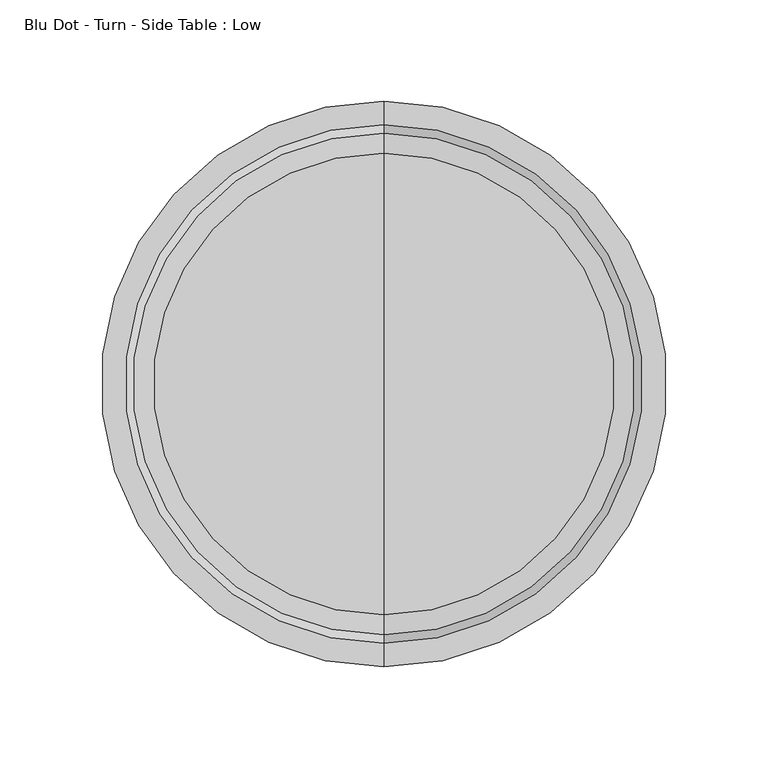
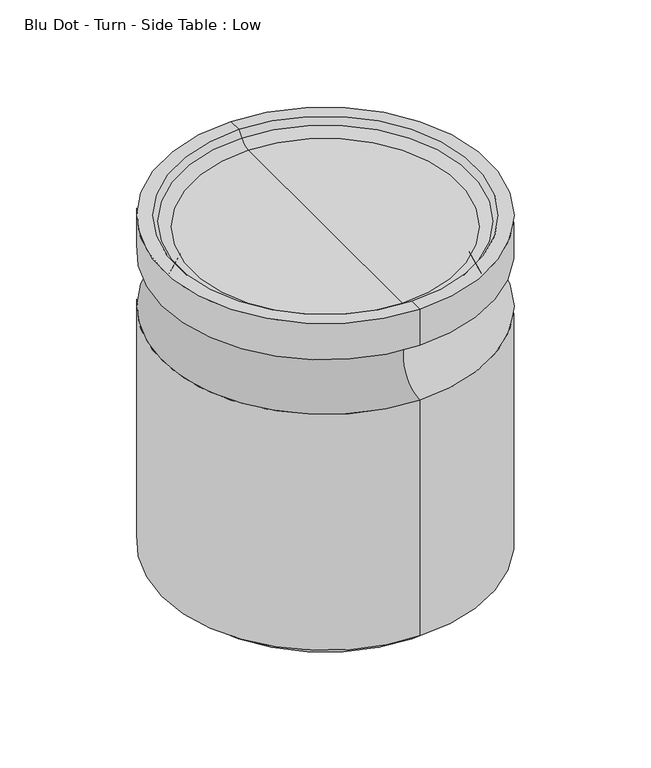
"""IFC4 building model written with IfcOpenShell, lengths in millimetres: furniture geometry, Blu Dot - Turn - Side Table : Low."""

from ifc_helpers import new_model, si_unit, point, frame, origin, place, context, project, spatial, polyline, circle_curve, ellipse_curve, trimmed, source, transform, mapped, element, save
from ifc_brep_helpers import plane_surface, cylinder_surface, revolved_surface, advanced_brep


def blu_dot_turn_side_table_low_9aa1c228(model_context):
    return source(origin(), model_context, "Body", "AdvancedBrep", [
        advanced_brep(
        [(0.0, 114.1152586, 295.0947966), (0.0, -114.1152586, 295.0947966), (0.0, 0.0, 295.0947966), (0.0, 139.9855036, 305.3158479), (0.0, -139.9855036, 305.3158479), (0.0, -128.2761257, 305.3158479), (0.0, 128.2761257, 305.3158479), (0.0, 139.9855036, 272.5247716), (0.0, -139.9855036, 272.5247716), (0.0, 139.9855036, 9.5080301), (0.0, -139.9855036, 9.5080301), (0.0, -139.9855036, 223.0447795), (0.0, 139.9855036, 223.0447795), (0.0, 128.793586, 0.0), (0.0, -128.793586, 0.0), (0.0, 0.0, 0.0), (0.0, 124.1402179, 299.9979901), (0.0, -124.1402179, 299.9979901)],
        [
            (0, 1, circle_curve(frame((0.0, 0.0, 295.0947966), z_axis=(0.0, 0.0, 1.0), x_axis=(0.0, -1.0, 0.0)), 114.1152586)),
            (1, 2),
            (2, 0),
            (1, 0, circle_curve(frame((0.0, 0.0, 295.0947966), z_axis=(0.0, 0.0, 1.0), x_axis=(0.0, -1.0, 0.0)), 114.1152586)),
            (3, 4, circle_curve(frame((0.0, 0.0, 305.3158479), z_axis=(0.0, 0.0, 1.0), x_axis=(0.0, -1.0, 0.0)), 139.9855036)),
            (4, 5),
            (5, 6, circle_curve(frame((0.0, 0.0, 305.3158479), z_axis=(0.0, 0.0, -1.0), x_axis=(0.0, -1.0, 0.0)), 128.2761257)),
            (6, 3),
            (4, 3, circle_curve(frame((0.0, 0.0, 305.3158479), z_axis=(0.0, 0.0, 1.0), x_axis=(0.0, -1.0, 0.0)), 139.9855036)),
            (6, 5, circle_curve(frame((0.0, 0.0, 305.3158479), z_axis=(0.0, 0.0, -1.0), x_axis=(0.0, -1.0, 0.0)), 128.2761257)),
            (7, 8, circle_curve(frame((0.0, 0.0, 272.5247716), z_axis=(0.0, 0.0, 1.0), x_axis=(0.0, -1.0, 0.0)), 139.9855036)),
            (8, 4),
            (3, 7),
            (8, 7, circle_curve(frame((0.0, 0.0, 272.5247716), z_axis=(0.0, 0.0, 1.0), x_axis=(0.0, -1.0, 0.0)), 139.9855036)),
            (9, 10, circle_curve(frame((0.0, 0.0, 9.5080301), z_axis=(0.0, 0.0, 1.0), x_axis=(0.0, -1.0, 0.0)), 139.9855036)),
            (10, 11),
            (11, 12, circle_curve(frame((0.0, 0.0, 223.0447795), z_axis=(0.0, 0.0, -1.0), x_axis=(0.0, -1.0, 0.0)), 139.9855036)),
            (12, 9),
            (10, 9, circle_curve(frame((0.0, 0.0, 9.5080301), z_axis=(0.0, 0.0, 1.0), x_axis=(0.0, -1.0, 0.0)), 139.9855036)),
            (12, 11, circle_curve(frame((0.0, 0.0, 223.0447795), z_axis=(0.0, 0.0, -1.0), x_axis=(0.0, -1.0, 0.0)), 139.9855036)),
            (13, 14, circle_curve(frame((0.0, 0.0, 0.0), z_axis=(0.0, 0.0, 1.0), x_axis=(0.0, -1.0, 0.0)), 128.793586)),
            (14, 10),
            (9, 13),
            (14, 13, circle_curve(frame((0.0, 0.0, 0.0), z_axis=(0.0, 0.0, 1.0), x_axis=(0.0, -1.0, 0.0)), 128.793586)),
            (15, 14),
            (13, 15),
            (16, 17, circle_curve(frame((0.0, 0.0, 299.9979901), z_axis=(0.0, 0.0, 1.0), x_axis=(0.0, -1.0, 0.0)), 124.1402179)),
            (17, 1, circle_curve(frame((0.0, -114.1152586, 307.7947966), z_axis=(1.0, 0.0, 0.0), x_axis=(0.0, -1.0, 0.0)), 12.7)),
            (0, 16, circle_curve(frame((0.0, 114.1152586, 307.7947966), z_axis=(1.0, 0.0, 0.0), x_axis=(0.0, 1.0, 0.0)), 12.7)),
            (17, 16, circle_curve(frame((0.0, 0.0, 299.9979901), z_axis=(0.0, 0.0, 1.0), x_axis=(0.0, -1.0, 0.0)), 124.1402179)),
            (5, 17),
            (16, 6),
            (11, 8, circle_curve(frame((0.0, -139.9855036, 247.7847756), z_axis=(1.0, 0.0, 0.0), x_axis=(0.0, -1.0, 0.0)), 24.7399961)),
            (7, 12, circle_curve(frame((0.0, 139.9855036, 247.7847756), z_axis=(1.0, 0.0, 0.0), x_axis=(0.0, 1.0, 0.0)), 24.7399961)),
        ],
        [
            plane_surface(frame((0.0, 0.0, 295.0947966), z_axis=(0.0, 0.0, 1.0), x_axis=(0.0, -1.0, 0.0))),
            plane_surface(frame((0.0, 0.0, 305.3158479), z_axis=(0.0, 0.0, 1.0), x_axis=(0.0, -1.0, 0.0))),
            cylinder_surface(frame((0.0, 0.0, 508.0), z_axis=(0.0, 0.0, -1.0), x_axis=(0.0, -1.0, 0.0)), 139.9855036),
            revolved_surface(polyline([(0.0, -139.9855036, 9.5080301), (0.0, -128.793586, 0.0)]), (0.0, 0.0, 508.0), (0.0, 0.0, -1.0)),
            plane_surface(frame((0.0, 0.0, 0.0), z_axis=(0.0, 0.0, -1.0), x_axis=(0.0, -1.0, 0.0))),
            revolved_surface(trimmed(ellipse_curve(frame((0.0, -114.1152586, 307.7947966), z_axis=(-1.0, 0.0, 0.0), x_axis=(0.0, -1.0, 0.0)), 12.7, 12.7), [point((0.0, -114.1152586, 295.0947966))], [point((0.0, -124.1402179, 299.9979901))], True, "CARTESIAN"), (0.0, 0.0, 508.0), (0.0, 0.0, -1.0)),
            revolved_surface(polyline([(0.0, -124.1402179, 299.9979901), (0.0, -128.2761257, 305.3158479)]), (0.0, 0.0, 508.0), (0.0, 0.0, -1.0)),
            revolved_surface(trimmed(ellipse_curve(frame((0.0, -139.9855036, 247.7847756), z_axis=(-1.0, 0.0, 0.0), x_axis=(0.0, -1.0, 0.0)), 24.7399961, 24.7399961), [point((0.0, -139.9855036, 272.5247716))], [point((0.0, -139.9855036, 223.0447795))], True, "CARTESIAN"), (0.0, 0.0, 508.0), (0.0, 0.0, -1.0)),
        ],
        [
            (0, [[1, 2, 3]]),
            (0, [[4, -3, -2]]),
            (1, [[5, 6, 7, 8]]),
            (1, [[9, -8, 10, -6]]),
            (2, [[11, 12, -5, 13]]),
            (2, [[14, -13, -9, -12]]),
            (2, [[15, 16, 17, 18]]),
            (2, [[19, -18, 20, -16]]),
            (3, [[21, 22, -15, 23]]),
            (3, [[24, -23, -19, -22]]),
            (4, [[25, -21, 26]]),
            (4, [[-26, -24, -25]]),
            (5, [[27, 28, -1, 29]]),
            (5, [[30, -29, -4, -28]]),
            (6, [[-7, 31, -27, 32]]),
            (6, [[-10, -32, -30, -31]]),
            (7, [[-17, 33, -11, 34]]),
            (7, [[-20, -34, -14, -33]]),
        ],
    ),
    ])


if __name__ == "__main__":
    model = new_model("IFC4")
    model_context = context("Model", 3, world=origin())
    ifc_project = project(units=[si_unit("LENGTHUNIT", "METRE", prefix="MILLI")], contexts=[model_context])
    site = spatial("IfcSite", under=ifc_project)
    building = spatial("IfcBuilding", under=site)
    placement = place(None, origin())
    blu_dot_turn_side_table_low_shape = blu_dot_turn_side_table_low_9aa1c228(model_context)
    element("IfcFurniture", 1, ObjectType="Blu Dot - Turn - Side Table : Low", at=placement, inside=building, context=model_context, shape_type="MappedRepresentation", body=[
        mapped(blu_dot_turn_side_table_low_shape, transform((0.0, 0.0, 0.0), x_axis=(1.0, 0.0, 0.0), y_axis=(0.0, 1.0, 0.0), z_axis=(0.0, 0.0, 1.0))),
    ])
    save(model, "model.ifc")
